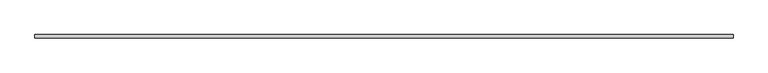
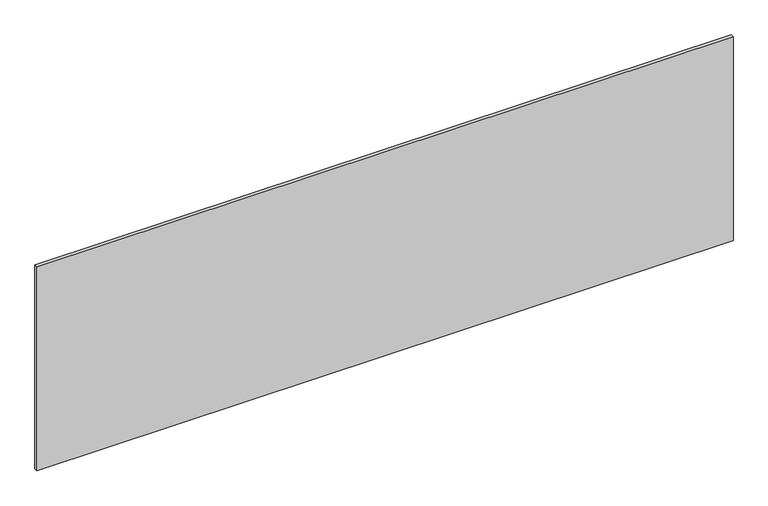
"""IFC4 building model written with IfcOpenShell, lengths in millimetres: plate geometry."""

import ifcopenshell
import ifcopenshell.guid

model = None  # the IFC model being written
_history = None  # IfcOwnerHistory: only IFC2X3 demands one
_inside = {}  # id of a spatial element -> (the spatial element, [elements in it])
_under = {}  # id of a project, library or spatial element -> (it, [spatial elements below it])
_declared = {}  # id of a project -> (the project, [libraries it declares])
_typed = {}  # id of a type object -> (the type object, [elements of that type])
_made_of = {}  # id of a material, layer set ... -> (it, [elements and type objects made of it])


def new_model(schema):
    """Start an empty IFC model of exactly this schema.

    Asked for "IFC4X3", IfcOpenShell would pick the latest addendum, in which some entities
    have other attributes; the version numbers below select the first issue.
    IFC2X3 requires an IfcOwnerHistory on every rooted entity: one is made here for all.
    """
    global model, _history
    if schema == "IFC4X3":
        model = ifcopenshell.file(schema_version=(4, 3, 0, 0))
    else:
        model = ifcopenshell.file(schema=schema)
    _inside.clear()
    _under.clear()
    _declared.clear()
    _typed.clear()
    _made_of.clear()
    _history = None
    if model.schema == "IFC2X3":
        org = make("IfcOrganization", Name="unknown")
        user = make(
            "IfcPersonAndOrganization",
            ThePerson=make("IfcPerson", FamilyName="unknown"),
            TheOrganization=org,
        )
        app = make(
            "IfcApplication",
            ApplicationDeveloper=org,
            Version="unknown",
            ApplicationFullName="unknown",
            ApplicationIdentifier="unknown",
        )
        _history = make(
            "IfcOwnerHistory",
            OwningUser=user,
            OwningApplication=app,
            ChangeAction="ADDED",
            CreationDate=0,
        )
    return model


def make(cls, **values):
    """One entity of the class cls with the attributes given. An attribute that is None is left unset."""
    return model.create_entity(
        cls, **{name: value for name, value in values.items() if value is not None}
    )


def rooted(cls, **values):
    """An entity with a GlobalId (a new one), such as an element, a storey or a relation."""
    return make(cls, GlobalId=ifcopenshell.guid.new(), OwnerHistory=_history, **values)


def si_unit(unit_type, name, prefix=None):
    """IfcSIUnit, for example si_unit("LENGTHUNIT", "METRE", prefix="MILLI")."""
    return make("IfcSIUnit", UnitType=unit_type, Prefix=prefix, Name=name)


def assignment(units):
    """IfcUnitAssignment: the units of a project."""
    return None if units is None else make("IfcUnitAssignment", Units=units)


def point(xyz):
    """IfcCartesianPoint."""
    return None if xyz is None else make("IfcCartesianPoint", Coordinates=xyz)


def direction(xyz):
    """IfcDirection."""
    return None if xyz is None else make("IfcDirection", DirectionRatios=xyz)


def frame(location, z_axis=None, x_axis=None):
    """IfcAxis2Placement3D, a coordinate frame: its origin and axes. An axis left out is left unset."""
    return make(
        "IfcAxis2Placement3D",
        Location=point(location),
        Axis=direction(z_axis),
        RefDirection=direction(x_axis),
    )


def origin():
    """The frame at (0, 0, 0) with its axes left unset."""
    return frame((0.0, 0.0, 0.0))


def origin_with_axes():
    """The frame at (0, 0, 0) with the z axis (0, 0, 1) and the x axis (1, 0, 0) written out."""
    return frame((0.0, 0.0, 0.0), z_axis=(0.0, 0.0, 1.0), x_axis=(1.0, 0.0, 0.0))


def place(relative_to, where):
    """IfcLocalPlacement: puts the frame where relative to a parent placement (None: the world)."""
    return make(
        "IfcLocalPlacement", PlacementRelTo=relative_to, RelativePlacement=where
    )


def context(
    kind, dimensions, precision=None, world=None, true_north=None, identifier=None
):
    """IfcGeometricRepresentationContext, for example the 3D "Model" context."""
    return make(
        "IfcGeometricRepresentationContext",
        ContextIdentifier=identifier,
        ContextType=kind,
        CoordinateSpaceDimension=dimensions,
        Precision=precision,
        WorldCoordinateSystem=world,
        TrueNorth=true_north,
    )


def project(units=None, contexts=None):
    """IfcProject with its units and contexts."""
    return rooted(
        "IfcProject",
        Name="project",
        RepresentationContexts=contexts,
        UnitsInContext=assignment(units),
    )


def spatial(cls, under=None, at=None, **own):
    """A site, building, storey or space (cls), placed at a placement, below another one or the project."""
    s = rooted(cls, ObjectPlacement=at, **own)
    if under is not None:
        _under.setdefault(under.id(), (under, []))[1].append(s)
    return s


def polyline(points):
    """IfcPolyline through the points."""
    return make("IfcPolyline", Points=[point(p) for p in points])


def outline(outer, holes=None, kind="AREA"):
    """IfcArbitraryClosedProfileDef: a profile drawn as a closed curve; with holes, ...WithVoids."""
    if holes is None:
        return make("IfcArbitraryClosedProfileDef", ProfileType=kind, OuterCurve=outer)
    return make(
        "IfcArbitraryProfileDefWithVoids",
        ProfileType=kind,
        OuterCurve=outer,
        InnerCurves=holes,
    )


def extrude(swept, where, along, depth):
    """IfcExtrudedAreaSolid: the profile swept, set in the frame where, extruded along a direction by depth."""
    return make(
        "IfcExtrudedAreaSolid",
        SweptArea=swept,
        Position=where,
        ExtrudedDirection=direction(along),
        Depth=depth,
    )


def shape(context_of_items, identifier, shape_type, items):
    """IfcShapeRepresentation: the items that make up one representation, for example the "Body"."""
    return make(
        "IfcShapeRepresentation",
        ContextOfItems=context_of_items,
        RepresentationIdentifier=identifier,
        RepresentationType=shape_type,
        Items=items,
    )


def source(mapping_origin, context_of_items, identifier, shape_type, items):
    """IfcRepresentationMap: a shape defined once, which mapped items show again and again."""
    return make(
        "IfcRepresentationMap",
        MappingOrigin=mapping_origin,
        MappedRepresentation=shape(context_of_items, identifier, shape_type, items),
    )


def transform(
    local_origin,
    x_axis=None,
    y_axis=None,
    z_axis=None,
    scale=None,
    scale2=None,
    scale3=None,
    uniform=True,
):
    """IfcCartesianTransformationOperator3D, or its non-uniform kind. x_axis, y_axis, z_axis: its Axis1, 2, 3."""
    if uniform:
        return make(
            "IfcCartesianTransformationOperator3D",
            Axis1=direction(x_axis),
            Axis2=direction(y_axis),
            LocalOrigin=point(local_origin),
            Scale=scale,
            Axis3=direction(z_axis),
        )
    return make(
        "IfcCartesianTransformationOperator3DnonUniform",
        Axis1=direction(x_axis),
        Axis2=direction(y_axis),
        LocalOrigin=point(local_origin),
        Scale=scale,
        Axis3=direction(z_axis),
        Scale2=scale2,
        Scale3=scale3,
    )


def mapped(mapping_source, mapping_target):
    """IfcMappedItem: shows the shape of a source again, moved by a transform."""
    return make(
        "IfcMappedItem", MappingSource=mapping_source, MappingTarget=mapping_target
    )


def made_of(thing, what):
    """Note that an element or type object is made of a material, layer set ...; save() writes the relation."""
    if what is not None:
        _made_of.setdefault(what.id(), (what, []))[1].append(thing)
    return thing


def element(
    cls,
    number,
    at=None,
    inside=None,
    cuts=None,
    type_object=None,
    material=None,
    context=None,
    identifier="Body",
    shape_type=None,
    held_by="IfcProductDefinitionShape",
    body=None,
    shapes=None,
    **own,
):
    """One element of the class cls, such as IfcWall. Its Tag is "e" and its number.

    at: its placement. inside: the storey or other place that contains it. cuts: it is an
    opening in that element (IfcRelVoidsElement). A single representation is given by context,
    identifier, shape_type and body (its items); several are given by shapes. held_by: the class
    of the entity that holds the representations. save() writes the other relations.
    """
    e = rooted(cls, Tag="e%d" % number, ObjectPlacement=at, **own)
    if body is not None:
        shapes = [shape(context, identifier, shape_type, body)]
    if shapes is not None:
        e.Representation = make(held_by, Representations=shapes)
    if inside is not None:
        _inside.setdefault(inside.id(), (inside, []))[1].append(e)
    if cuts is not None:
        rooted(
            "IfcRelVoidsElement", RelatingBuildingElement=cuts, RelatedOpeningElement=e
        )
    if type_object is not None:
        _typed.setdefault(type_object.id(), (type_object, []))[1].append(e)
    return made_of(e, material)


def aggregate(whole, parts):
    """IfcRelAggregates: a whole, such as a stair, and the parts it consists of."""
    return rooted("IfcRelAggregates", RelatingObject=whole, RelatedObjects=parts)


def save(model, path):
    """Write the relations noted so far, then the file.

    IfcRelAggregates (storeys below a building ...), IfcRelContainedInSpatialStructure (elements
    in a storey), IfcRelDefinesByType, IfcRelAssociatesMaterial and IfcRelDeclares: one each for
    every whole, place, type object, material and project.
    """
    for whole, parts in _under.values():
        aggregate(whole, parts)
    for where, things in _inside.values():
        rooted(
            "IfcRelContainedInSpatialStructure",
            RelatedElements=things,
            RelatingStructure=where,
        )
    for kind, things in _typed.values():
        rooted("IfcRelDefinesByType", RelatedObjects=things, RelatingType=kind)
    for what, things in _made_of.values():
        rooted("IfcRelAssociatesMaterial", RelatedObjects=things, RelatingMaterial=what)
    for by, libraries in _declared.values():
        rooted("IfcRelDeclares", RelatingContext=by, RelatedDefinitions=libraries)
    model.write(path)


def plate_7ad9869a(model_context):
    return source(origin(), model_context, "Body", "SweptSolid", [
        extrude(outline(polyline([(1420.0, 6.75), (1420.0, -6.75), (-1420.0, -6.75), (-1420.0, 6.75), (1420.0, 6.75)])), origin_with_axes(), (0.0, 0.0, 1.0), 879.0),
    ])


if __name__ == "__main__":
    model = new_model("IFC4")
    model_context = context("Model", 3, world=origin())
    ifc_project = project(units=[si_unit("LENGTHUNIT", "METRE", prefix="MILLI")], contexts=[model_context])
    site = spatial("IfcSite", under=ifc_project)
    building = spatial("IfcBuilding", under=site)
    placement = place(None, origin())
    plate_shape = plate_7ad9869a(model_context)
    element("IfcPlate", 1, at=placement, inside=building, context=model_context, shape_type="MappedRepresentation", body=[
        mapped(plate_shape, transform((0.0, 0.0, 0.0), x_axis=(1.0, 0.0, 0.0), y_axis=(0.0, 1.0, 0.0), z_axis=(0.0, 0.0, 1.0))),
    ])
    save(model, "model.ifc")
